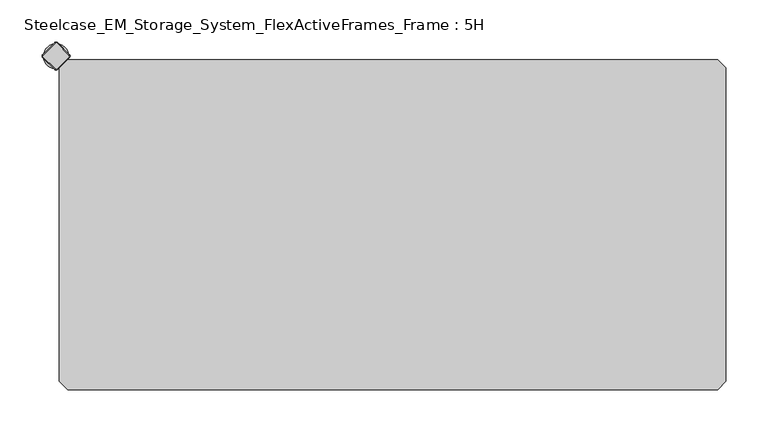
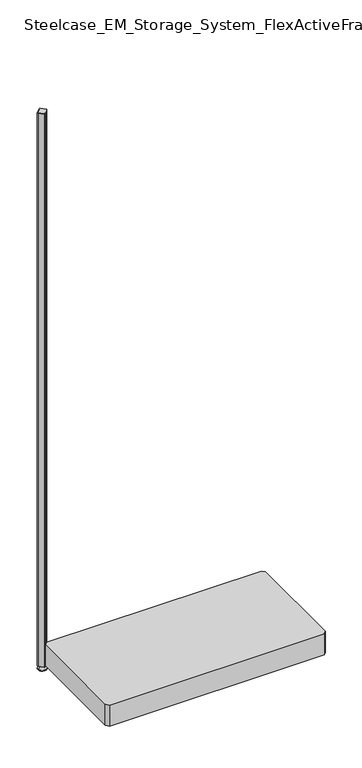
"""IFC4 building model written with IfcOpenShell, lengths in millimetres: furniture geometry, Steelcase_EM_Storage_System_FlexActiveFrames_Frame : 5H."""

from ifc_helpers import new_model, si_unit, point, frame, frame_2d, origin, place, context, project, spatial, polyline, circle_curve, trimmed, segment, composite_curve, outline, extrude, source, transform, mapped, element, save
from ifc_brep_helpers import plane_surface, cylinder_surface, revolved_surface, advanced_brep


def steelcase_em_storage_system_flexactiveframes_frame_5h_7f6fde3f(model_context):
    return source(origin(), model_context, "Body", "SolidModel", [
        advanced_brep(
        [(-15.0, 0.0, 0.0), (15.0, 0.0, 0.0), (0.0, 0.0, 0.0), (-15.0, 0.0, 2.0), (15.0, 0.0, 2.0), (-8.0, 0.0, 9.0), (8.0, 0.0, 9.0), (-4.0, 0.0, 9.0), (4.0, 0.0, 9.0), (-4.0, 0.0, 15.0), (4.0, 0.0, 15.0), (0.0, 0.0, 15.0)],
        [
            (0, 1, circle_curve(frame((0.0, 0.0, 0.0), z_axis=(0.0, 0.0, -1.0), x_axis=(1.0, 0.0, 0.0)), 15.0)),
            (1, 2),
            (2, 0),
            (1, 0, circle_curve(frame((0.0, 0.0, 0.0), z_axis=(0.0, 0.0, -1.0), x_axis=(1.0, 0.0, 0.0)), 15.0)),
            (3, 4, circle_curve(frame((0.0, 0.0, 2.0), z_axis=(0.0, 0.0, -1.0), x_axis=(1.0, 0.0, 0.0)), 15.0)),
            (4, 1),
            (0, 3),
            (4, 3, circle_curve(frame((0.0, 0.0, 2.0), z_axis=(0.0, 0.0, -1.0), x_axis=(1.0, 0.0, 0.0)), 15.0)),
            (5, 6, circle_curve(frame((0.0, 0.0, 9.0), z_axis=(0.0, 0.0, -1.0), x_axis=(1.0, 0.0, 0.0)), 8.0)),
            (6, 4),
            (3, 5),
            (6, 5, circle_curve(frame((0.0, 0.0, 9.0), z_axis=(0.0, 0.0, -1.0), x_axis=(1.0, 0.0, 0.0)), 8.0)),
            (7, 8, circle_curve(frame((0.0, 0.0, 9.0), z_axis=(0.0, 0.0, -1.0), x_axis=(1.0, 0.0, 0.0)), 4.0)),
            (8, 6),
            (5, 7),
            (8, 7, circle_curve(frame((0.0, 0.0, 9.0), z_axis=(0.0, 0.0, -1.0), x_axis=(1.0, 0.0, 0.0)), 4.0)),
            (9, 10, circle_curve(frame((0.0, 0.0, 15.0), z_axis=(0.0, 0.0, -1.0), x_axis=(1.0, 0.0, 0.0)), 4.0)),
            (10, 8),
            (7, 9),
            (10, 9, circle_curve(frame((0.0, 0.0, 15.0), z_axis=(0.0, 0.0, -1.0), x_axis=(1.0, 0.0, 0.0)), 4.0)),
            (11, 10),
            (9, 11),
        ],
        [
            plane_surface(frame((0.0, 0.0, 0.0), z_axis=(0.0, 0.0, -1.0), x_axis=(1.0, 0.0, 0.0))),
            cylinder_surface(frame((0.0, 0.0, 18.6083303), z_axis=(0.0, 0.0, 1.0), x_axis=(1.0, 0.0, 0.0)), 15.0),
            revolved_surface(polyline([(15.0, 0.0, 2.0), (8.0, 0.0, 9.0)]), (0.0, 0.0, 18.6083303), (0.0, 0.0, 1.0)),
            plane_surface(frame((0.0, 0.0, 9.0), z_axis=(0.0, 0.0, 1.0), x_axis=(1.0, 0.0, 0.0))),
            cylinder_surface(frame((0.0, 0.0, 18.6083303), z_axis=(0.0, 0.0, 1.0), x_axis=(1.0, 0.0, 0.0)), 4.0),
            plane_surface(frame((0.0, 0.0, 15.0), z_axis=(0.0, 0.0, 1.0), x_axis=(1.0, 0.0, 0.0))),
        ],
        [
            (0, [[1, 2, 3]]),
            (0, [[4, -3, -2]]),
            (1, [[5, 6, -1, 7]]),
            (1, [[8, -7, -4, -6]]),
            (2, [[9, 10, -5, 11]]),
            (2, [[12, -11, -8, -10]]),
            (3, [[13, 14, -9, 15]]),
            (3, [[16, -15, -12, -14]]),
            (4, [[17, 18, -13, 19]]),
            (4, [[20, -19, -16, -18]]),
            (5, [[21, -17, 22]]),
            (5, [[-22, -20, -21]]),
        ],
    ),
        advanced_brep(
        [(-1.2020815, 15.3442172, 2117.0), (-15.3442172, 1.2020815, 2117.0), (-15.3442172, -1.2020815, 2117.0), (-1.2020815, -15.3442172, 2117.0), (1.2020815, -15.3442172, 2117.0), (15.3442172, -1.2020815, 2117.0), (15.3442172, 1.2020815, 2117.0), (1.2020815, 15.3442172, 2117.0), (-1.767767, 15.9099026, 2115.0), (1.767767, 15.9099026, 2115.0), (15.9099026, 1.767767, 2115.0), (15.9099026, -1.767767, 2115.0), (1.767767, -15.9099026, 2115.0), (-1.767767, -15.9099026, 2115.0), (-15.9099026, -1.767767, 2115.0), (-15.9099026, 1.767767, 2115.0)],
        [
            (0, 1),
            (1, 2, circle_curve(frame((-14.1421356, 0.0, 2117.0), z_axis=(0.0, 0.0, 1.0), x_axis=(-0.7071067811865537, 0.7071067811865414, 0.0)), 1.7)),
            (2, 3),
            (3, 4, circle_curve(frame((0.0, -14.1421356, 2117.0), z_axis=(0.0, 0.0, 1.0), x_axis=(-0.7071067811865491, -0.707106781186546, 0.0)), 1.7)),
            (4, 5),
            (5, 6, circle_curve(frame((14.1421356, 0.0, 2117.0), z_axis=(0.0, 0.0, 1.0), x_axis=(0.707106781186539, -0.7071067811865559, 0.0)), 1.7)),
            (6, 7),
            (7, 0, circle_curve(frame((0.0, 14.1421356, 2117.0), z_axis=(0.0, 0.0, 1.0), x_axis=(0.7071067811865458, 0.7071067811865492, 0.0)), 1.7)),
            (8, 9, circle_curve(frame((0.0, 14.1421356, 2115.0), z_axis=(0.0, 0.0, -1.0), x_axis=(0.7071067811865458, 0.7071067811865492, 0.0)), 2.5)),
            (9, 10),
            (10, 11, circle_curve(frame((14.1421356, 0.0, 2115.0), z_axis=(0.0, 0.0, -1.0), x_axis=(0.707106781186539, -0.7071067811865559, 0.0)), 2.5)),
            (11, 12),
            (12, 13, circle_curve(frame((0.0, -14.1421356, 2115.0), z_axis=(0.0, 0.0, -1.0), x_axis=(-0.7071067811865491, -0.707106781186546, 0.0)), 2.5)),
            (13, 14),
            (14, 15, circle_curve(frame((-14.1421356, 0.0, 2115.0), z_axis=(0.0, 0.0, -1.0), x_axis=(-0.7071067811865537, 0.7071067811865414, 0.0)), 2.5)),
            (15, 8),
            (15, 1),
            (0, 8),
            (14, 2),
            (13, 3),
            (12, 4),
            (11, 5),
            (10, 6),
            (9, 7),
        ],
        [
            plane_surface(frame((0.0, 0.0, 2117.0), z_axis=(0.0, 0.0, 1.0), x_axis=(-0.7071067811865486, 0.7071067811865466, 0.0))),
            plane_surface(frame((0.0, 0.0, 2115.0), z_axis=(0.0, 0.0, -1.0), x_axis=(-0.7071067811865486, 0.7071067811865466, 0.0))),
            plane_surface(frame((-8.8388348, 8.8388348, 2115.0), z_axis=(-0.6565321642986406, 0.656532164298628, 0.3713906763540281), x_axis=(-0.7071067811865408, -0.7071067811865543, 0.0))),
            revolved_surface(polyline([(-15.34421716, 1.20208156, 2117.0), (-15.9099026, 1.767767, 2115.0)]), (-14.1421356, 0.0, 2121.25), (0.0, 0.0, -1.0)),
            plane_surface(frame((-8.8388348, -8.8388348, 2115.0), z_axis=(-0.6565321642986325, -0.6565321642986414, 0.3713906763540188), x_axis=(0.7071067811865523, -0.7071067811865428, 0.0))),
            revolved_surface(polyline([(-1.20208156, -15.34421716, 2117.0), (-1.767767, -15.9099026, 2115.0)]), (0.0, -14.1421356, 2121.25), (0.0, 0.0, -1.0)),
            plane_surface(frame((8.8388348, -8.8388348, 2115.0), z_axis=(0.6565321642986457, -0.6565321642986508, 0.3713906763539787), x_axis=(0.7071067811865541, 0.707106781186541, 0.0))),
            revolved_surface(polyline([(15.34421716, -1.20208156, 2117.0), (15.9099026, -1.767767, 2115.0)]), (14.1421356, 0.0, 2121.25), (0.0, 0.0, -1.0)),
            plane_surface(frame((8.8388348, 8.8388348, 2115.0), z_axis=(0.656532164298657, 0.6565321642986371, 0.37139067635398293), x_axis=(-0.7071067811865407, 0.7071067811865545, 0.0))),
            revolved_surface(polyline([(1.20208156, 15.34421716, 2117.0), (1.767767, 15.9099026, 2115.0)]), (0.0, 14.1421356, 2121.25), (0.0, 0.0, -1.0)),
        ],
        [
            (0, [[1, 2, 3, 4, 5, 6, 7, 8]]),
            (1, [[9, 10, 11, 12, 13, 14, 15, 16]]),
            (2, [[-16, 17, -1, 18]]),
            (3, [[-15, 19, -2, -17]]),
            (4, [[-14, 20, -3, -19]]),
            (5, [[-13, 21, -4, -20]]),
            (6, [[-12, 22, -5, -21]]),
            (7, [[-11, 23, -6, -22]]),
            (8, [[-10, 24, -7, -23]]),
            (9, [[-9, -18, -8, -24]]),
        ],
    ),
        extrude(outline(composite_curve([segment(trimmed(circle_curve(frame_2d((14.1421356, 0.0)), 2.5), [point((15.9099026, 1.767767))], [point((15.9099026, -1.767767))], False, "CARTESIAN"), True, "CONTINUOUS"), segment(polyline([(15.9099026, -1.767767), (1.767767, -15.9099026)]), True, "CONTINUOUS"), segment(trimmed(circle_curve(frame_2d((0.0, -14.1421356)), 2.5), [point((1.767767, -15.9099026))], [point((-1.767767, -15.9099026))], False, "CARTESIAN"), True, "CONTINUOUS"), segment(polyline([(-1.767767, -15.9099026), (-15.9099026, -1.767767)]), True, "CONTINUOUS"), segment(trimmed(circle_curve(frame_2d((-14.1421356, 0.0)), 2.5), [point((-15.9099026, -1.767767))], [point((-15.9099026, 1.767767))], False, "CARTESIAN"), True, "CONTINUOUS"), segment(polyline([(-15.9099026, 1.767767), (-1.767767, 15.9099026)]), True, "CONTINUOUS"), segment(trimmed(circle_curve(frame_2d((0.0, 14.1421356)), 2.5), [point((-1.767767, 15.9099026))], [point((1.767767, 15.9099026))], False, "CARTESIAN"), True, "CONTINUOUS"), segment(polyline([(1.767767, 15.9099026), (15.9099026, 1.767767)]), True, "CONTINUOUS")], self_intersect=False)), frame((0.0, 0.0, 15.0), z_axis=(0.0, 0.0, 1.0), x_axis=(1.0, 0.0, 0.0)), (0.0, 0.0, 1.0), 2100.0),
        extrude(outline(polyline([(4.0, -13.6776695), (13.6776695, -4.0), (786.3223305, -4.0), (796.0, -13.6776695), (796.0, -386.3223305), (786.3223305, -396.0), (13.6776695, -396.0), (4.0, -386.3223305), (4.0, -13.6776695)])), frame((0.0, 0.0, 16.0), z_axis=(0.0, 0.0, 1.0), x_axis=(1.0, 0.0, 0.0)), (0.0, 0.0, 1.0), 80.0),
    ])


if __name__ == "__main__":
    model = new_model("IFC4")
    model_context = context("Model", 3, world=origin())
    ifc_project = project(units=[si_unit("LENGTHUNIT", "METRE", prefix="MILLI")], contexts=[model_context])
    site = spatial("IfcSite", under=ifc_project)
    building = spatial("IfcBuilding", under=site)
    placement = place(None, origin())
    steelcase_em_storage_system_flexactiveframes_frame_5h_shape = steelcase_em_storage_system_flexactiveframes_frame_5h_7f6fde3f(model_context)
    element("IfcFurniture", 1, ObjectType="Steelcase_EM_Storage_System_FlexActiveFrames_Frame : 5H", at=placement, inside=building, context=model_context, shape_type="MappedRepresentation", body=[
        mapped(steelcase_em_storage_system_flexactiveframes_frame_5h_shape, transform((0.0, 0.0, 0.0), x_axis=(1.0, 0.0, 0.0), y_axis=(0.0, 1.0, 0.0), z_axis=(0.0, 0.0, 1.0))),
    ])
    save(model, "model.ifc")
